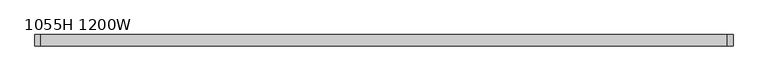
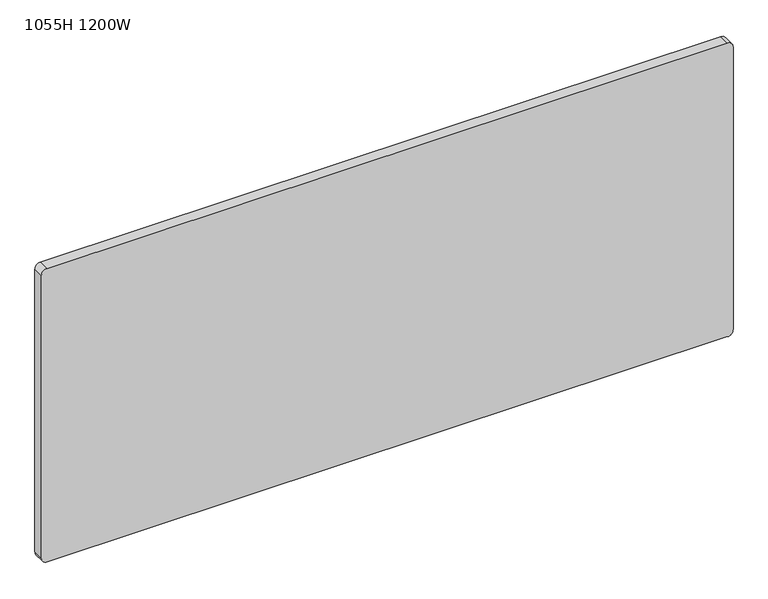
"""IFC4 building model written with IfcOpenShell, lengths in millimetres: furniture geometry, 1055H 1200W."""

from ifc_helpers import new_model, si_unit, point, frame, frame_2d, origin, place, context, project, spatial, polyline, circle_curve, trimmed, segment, composite_curve, outline, extrude, source, transform, mapped, element, save


def furniture_1055h_1200w_176561a1(model_context):
    return source(origin(), model_context, "Body", "SweptSolid", [
        extrude(outline(composite_curve([segment(trimmed(circle_curve(frame_2d((-200.0, 602.5)), 10.0), [point((-210.0, 602.5))], [point((-200.0, 612.5))], False, "CARTESIAN"), True, "CONTINUOUS"), segment(polyline([(-200.0, 612.5), (330.0, 612.5)]), True, "CONTINUOUS"), segment(trimmed(circle_curve(frame_2d((330.0, 602.5)), 10.0), [point((330.0, 612.5))], [point((340.0, 602.5))], False, "CARTESIAN"), True, "CONTINUOUS"), segment(polyline([(340.0, 602.5), (340.0, -602.5)]), True, "CONTINUOUS"), segment(trimmed(circle_curve(frame_2d((330.0, -602.5)), 10.0), [point((340.0, -602.5))], [point((330.0, -612.5))], False, "CARTESIAN"), True, "CONTINUOUS"), segment(polyline([(330.0, -612.5), (-200.0, -612.5)]), True, "CONTINUOUS"), segment(trimmed(circle_curve(frame_2d((-200.0, -602.5)), 10.0), [point((-200.0, -612.5))], [point((-210.0, -602.5))], False, "CARTESIAN"), True, "CONTINUOUS"), segment(polyline([(-210.0, -602.5), (-210.0, 602.5)]), True, "CONTINUOUS")], self_intersect=False)), frame((0.0, -10.0, 0.0), z_axis=(0.0, 1.0, 0.0), x_axis=(0.0, 0.0, 1.0)), (0.0, 0.0, 1.0), 20.0),
    ])


if __name__ == "__main__":
    model = new_model("IFC4")
    model_context = context("Model", 3, world=origin())
    ifc_project = project(units=[si_unit("LENGTHUNIT", "METRE", prefix="MILLI")], contexts=[model_context])
    site = spatial("IfcSite", under=ifc_project)
    building = spatial("IfcBuilding", under=site)
    placement = place(None, origin())
    furniture_1055h_1200w_shape = furniture_1055h_1200w_176561a1(model_context)
    element("IfcFurniture", 1, ObjectType="1055H 1200W", at=placement, inside=building, context=model_context, shape_type="MappedRepresentation", body=[
        mapped(furniture_1055h_1200w_shape, transform((0.0, 0.0, 0.0), x_axis=(1.0, 0.0, 0.0), y_axis=(0.0, 1.0, 0.0), z_axis=(0.0, 0.0, 1.0))),
    ])
    save(model, "model.ifc")
